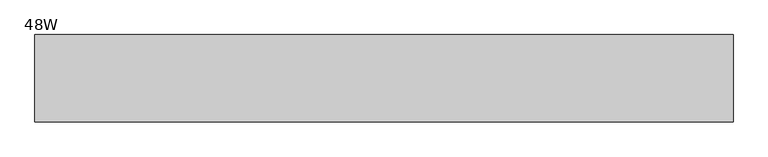
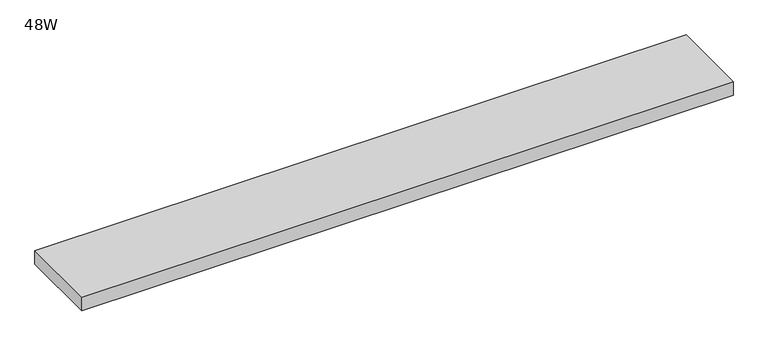
"""IFC4 building model written with IfcOpenShell, lengths in millimetres: furniture geometry, 48W."""

from ifc_helpers import new_model, si_unit, frame, origin, place, context, project, spatial, polyline, outline, extrude, source, transform, mapped, element, save


def furniture_48w_eeb0823e(model_context):
    return source(origin(), model_context, "Body", "SweptSolid", [
        extrude(outline(polyline([(1219.2, 0.0), (1219.2, -152.4), (0.0, -152.4), (0.0, 0.0), (1219.2, 0.0)])), frame((0.0, 0.0, 190.5), z_axis=(0.0, 0.0, 1.0), x_axis=(1.0, 0.0, 0.0)), (0.0, 0.0, 1.0), 26.924),
    ])


if __name__ == "__main__":
    model = new_model("IFC4")
    model_context = context("Model", 3, world=origin())
    ifc_project = project(units=[si_unit("LENGTHUNIT", "METRE", prefix="MILLI")], contexts=[model_context])
    site = spatial("IfcSite", under=ifc_project)
    building = spatial("IfcBuilding", under=site)
    placement = place(None, origin())
    furniture_48w_shape = furniture_48w_eeb0823e(model_context)
    element("IfcFurniture", 1, ObjectType="48W", at=placement, inside=building, context=model_context, shape_type="MappedRepresentation", body=[
        mapped(furniture_48w_shape, transform((0.0, 0.0, 0.0), x_axis=(1.0, 0.0, 0.0), y_axis=(0.0, 1.0, 0.0), z_axis=(0.0, 0.0, 1.0))),
    ])
    save(model, "model.ifc")
